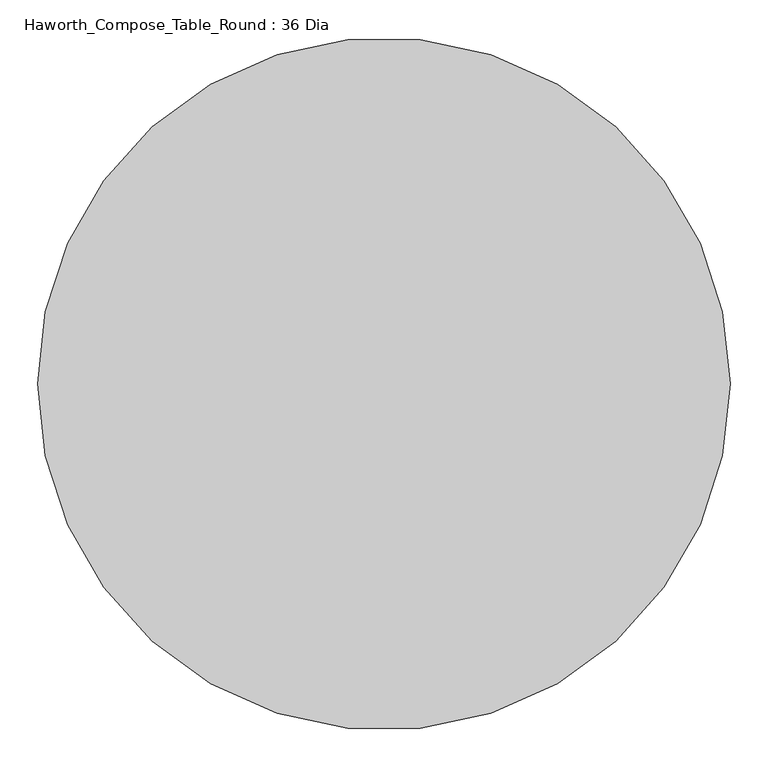
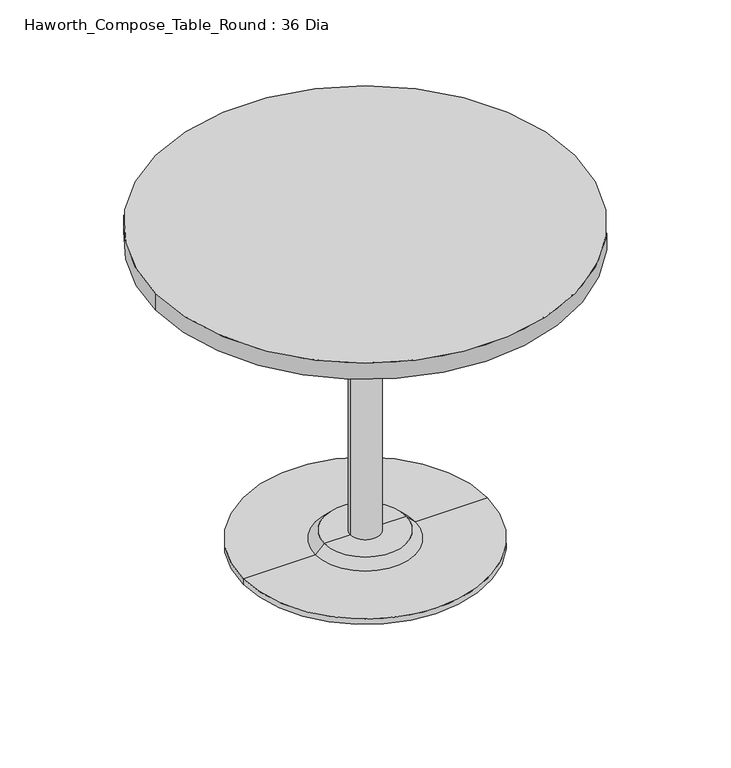
"""IFC4 building model written with IfcOpenShell, lengths in millimetres: furniture geometry, Haworth_Compose_Table_Round : 36 Dia."""

from ifc_helpers import new_model, si_unit, point, frame, frame_2d, origin, place, context, project, spatial, polyline, circle_curve, trimmed, segment, composite_curve, outline, extrude, source, transform, mapped, element, save
from ifc_brep_helpers import plane_surface, cylinder_surface, revolved_surface, advanced_brep


def haworth_compose_table_round_36_dia_6418d290(model_context):
    return source(origin(), model_context, "Body", "SolidModel", [
        advanced_brep(
        [(32.573978, 139.7, 698.5), (-32.573978, 139.7, 698.5), (0.0, 139.7, 698.5), (32.573978, 139.7, 31.75), (-32.573978, 139.7, 31.75), (89.723978, 139.7, 31.75), (-89.723978, 139.7, 31.75), (266.7, 139.7, 0.0), (-266.7, 139.7, 0.0), (-266.7, 139.7, 12.7), (266.7, 139.7, 12.7), (0.0, 139.7, 0.0), (108.773978, 139.7, 12.7), (-108.773978, 139.7, 12.7)],
        [
            (0, 1, circle_curve(frame((0.0, 139.7, 698.5), z_axis=(0.0, 0.0, 1.0), x_axis=(-1.0, 0.0, 0.0)), 32.573978)),
            (1, 2),
            (2, 0),
            (1, 0, circle_curve(frame((0.0, 139.7, 698.5), z_axis=(0.0, 0.0, 1.0), x_axis=(-1.0, 0.0, 0.0)), 32.573978)),
            (3, 4, circle_curve(frame((0.0, 139.7, 31.75), z_axis=(0.0, 0.0, 1.0), x_axis=(-1.0, 0.0, 0.0)), 32.573978)),
            (4, 1),
            (0, 3),
            (4, 3, circle_curve(frame((0.0, 139.7, 31.75), z_axis=(0.0, 0.0, 1.0), x_axis=(-1.0, 0.0, 0.0)), 32.573978)),
            (5, 6, circle_curve(frame((0.0, 139.7, 31.75), z_axis=(0.0, 0.0, 1.0), x_axis=(-1.0, 0.0, 0.0)), 89.723978)),
            (6, 4),
            (3, 5),
            (6, 5, circle_curve(frame((0.0, 139.7, 31.75), z_axis=(0.0, 0.0, 1.0), x_axis=(-1.0, 0.0, 0.0)), 89.723978)),
            (7, 8, circle_curve(frame((0.0, 139.7, 0.0), z_axis=(0.0, 0.0, 1.0), x_axis=(-1.0, 0.0, 0.0)), 266.7)),
            (8, 9),
            (9, 10, circle_curve(frame((0.0, 139.7, 12.7), z_axis=(0.0, 0.0, -1.0), x_axis=(-1.0, 0.0, 0.0)), 266.7)),
            (10, 7),
            (8, 7, circle_curve(frame((0.0, 139.7, 0.0), z_axis=(0.0, 0.0, 1.0), x_axis=(-1.0, 0.0, 0.0)), 266.7)),
            (10, 9, circle_curve(frame((0.0, 139.7, 12.7), z_axis=(0.0, 0.0, -1.0), x_axis=(-1.0, 0.0, 0.0)), 266.7)),
            (11, 8),
            (7, 11),
            (12, 13, circle_curve(frame((0.0, 139.7, 12.7), z_axis=(0.0, 0.0, 1.0), x_axis=(-1.0, 0.0, 0.0)), 108.773978)),
            (13, 6),
            (5, 12),
            (13, 12, circle_curve(frame((0.0, 139.7, 12.7), z_axis=(0.0, 0.0, 1.0), x_axis=(-1.0, 0.0, 0.0)), 108.773978)),
            (9, 13),
            (12, 10),
        ],
        [
            plane_surface(frame((0.0, 139.7, 698.5), z_axis=(0.0, 0.0, 1.0), x_axis=(-1.0, 0.0, 0.0))),
            cylinder_surface(frame((0.0, 139.7, 881.685757), z_axis=(0.0, 0.0, -1.0), x_axis=(-1.0, 0.0, 0.0)), 32.573978),
            plane_surface(frame((0.0, 139.7, 31.75), z_axis=(0.0, 0.0, 1.0), x_axis=(-1.0, 0.0, 0.0))),
            cylinder_surface(frame((0.0, 139.7, 881.685757), z_axis=(0.0, 0.0, -1.0), x_axis=(-1.0, 0.0, 0.0)), 266.7),
            plane_surface(frame((0.0, 139.7, 0.0), z_axis=(0.0, 0.0, -1.0), x_axis=(-1.0, 0.0, 0.0))),
            revolved_surface(polyline([(-89.723978, 139.7, 31.75), (-108.773978, 139.7, 12.7)]), (0.0, 139.7, 881.685757), (0.0, 0.0, -1.0)),
            plane_surface(frame((0.0, 139.7, 12.7), z_axis=(0.0, 0.0, 1.0), x_axis=(-1.0, 0.0, 0.0))),
        ],
        [
            (0, [[1, 2, 3]]),
            (0, [[4, -3, -2]]),
            (1, [[5, 6, -1, 7]]),
            (1, [[8, -7, -4, -6]]),
            (2, [[9, 10, -5, 11]]),
            (2, [[12, -11, -8, -10]]),
            (3, [[13, 14, 15, 16]]),
            (3, [[17, -16, 18, -14]]),
            (4, [[19, -13, 20]]),
            (4, [[-20, -17, -19]]),
            (5, [[21, 22, -9, 23]]),
            (5, [[24, -23, -12, -22]]),
            (6, [[-15, 25, -21, 26]]),
            (6, [[-18, -26, -24, -25]]),
        ],
    ),
        extrude(outline(composite_curve([segment(trimmed(circle_curve(frame_2d((0.0, 139.7)), 457.2), [point((-457.2, 139.7))], [point((457.2, 139.7))], False, "CARTESIAN"), True, "CONTINUOUS"), segment(trimmed(circle_curve(frame_2d((0.0, 139.7)), 457.2), [point((457.2, 139.7))], [point((-457.2, 139.7))], False, "CARTESIAN"), True, "CONTINUOUS")], self_intersect=False)), frame((0.0, 0.0, 698.5), z_axis=(0.0, 0.0, 1.0), x_axis=(1.0, 0.0, 0.0)), (0.0, 0.0, 1.0), 38.1),
    ])


if __name__ == "__main__":
    model = new_model("IFC4")
    model_context = context("Model", 3, world=origin())
    ifc_project = project(units=[si_unit("LENGTHUNIT", "METRE", prefix="MILLI")], contexts=[model_context])
    site = spatial("IfcSite", under=ifc_project)
    building = spatial("IfcBuilding", under=site)
    placement = place(None, origin())
    haworth_compose_table_round_36_dia_shape = haworth_compose_table_round_36_dia_6418d290(model_context)
    element("IfcFurniture", 1, ObjectType="Haworth_Compose_Table_Round : 36 Dia", at=placement, inside=building, context=model_context, shape_type="MappedRepresentation", body=[
        mapped(haworth_compose_table_round_36_dia_shape, transform((0.0, 0.0, 0.0), x_axis=(1.0, 0.0, 0.0), y_axis=(0.0, 1.0, 0.0), z_axis=(0.0, 0.0, 1.0))),
    ])
    save(model, "model.ifc")
